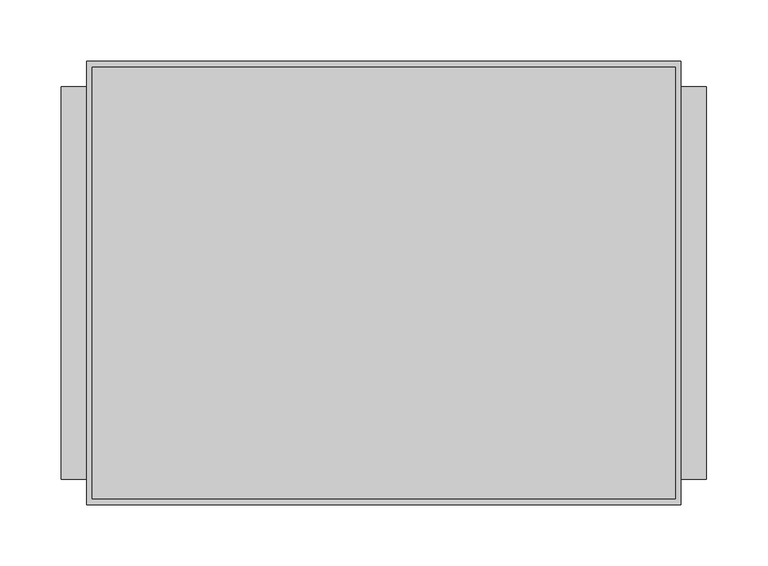
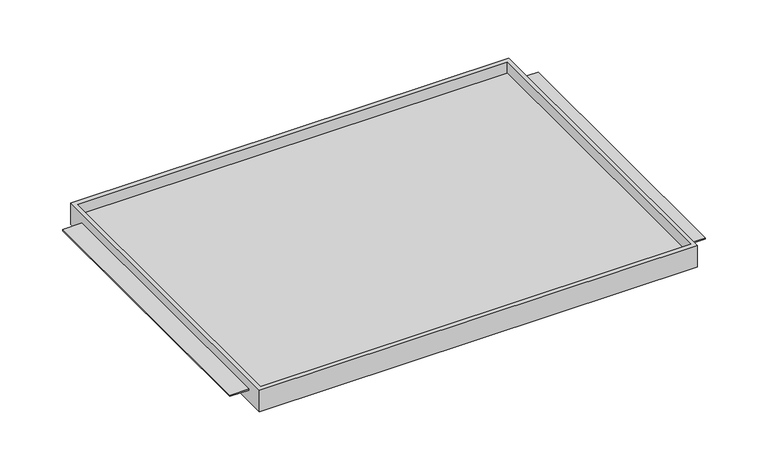
"""IFC4 building model written with IfcOpenShell, lengths in millimetres: furniture geometry."""

from ifc_helpers import new_model, si_unit, origin, place, context, project, spatial, faceted_brep, source, transform, mapped, element, save


def furniture_41f91059(model_context):
    return source(origin(), model_context, "Body", "Brep", [
        faceted_brep([(-242.7689646, -180.975, 1068.39512), (242.7689646, -180.975, 1068.39512), (242.7689646, -180.975, 1093.79512), (-242.7689646, -180.975, 1093.79512), (-242.7689646, 180.975, 1068.39512), (-242.7689646, 180.975, 1093.79512), (242.7689646, 180.975, 1093.79512), (242.7689646, 180.975, 1068.39512), (242.7689646, -160.3374879, 1082.69532), (242.7689646, 160.3374879, 1082.69532), (242.7689646, 160.3374879, 1081.09512), (242.7689646, -160.3374879, 1081.09512), (238.125, -176.2125, 1093.79512), (-238.125, -176.2125, 1093.79512), (-238.125, 175.91278, 1093.79512), (238.125, 175.91278, 1093.79512), (-242.7689646, 160.3374879, 1082.69532), (-242.7689646, -160.3374879, 1082.69532), (-242.7689646, -160.3374879, 1081.09512), (-242.7689646, 160.3374879, 1081.09512), (-238.125, -176.2125, 1081.09512), (238.125, -176.2125, 1081.09512), (238.125, 175.91278, 1081.09512), (-238.125, 175.91278, 1081.09512), (-263.525, 160.3374879, 1082.69532), (-263.525, -160.3374879, 1082.69532), (263.525, -160.3374879, 1082.69532), (263.525, 160.3374879, 1082.69532), (-263.525, -160.3374879, 1081.09512), (-263.525, 160.3374879, 1081.09512), (263.525, -160.3374879, 1081.09512), (263.525, 160.3374879, 1081.09512)], [[[0, 1, 2, 3]], [[4, 5, 6, 7]], [[1, 0, 4, 7]], [[2, 1, 7, 6], [8, 9, 10, 11]], [[3, 2, 6, 5], [12, 13, 14, 15]], [[0, 3, 5, 4], [16, 17, 18, 19]], [[20, 21, 22, 23]], [[21, 20, 13, 12]], [[22, 21, 12, 15]], [[23, 22, 15, 14]], [[20, 23, 14, 13]], [[16, 24, 25, 17]], [[26, 27, 9, 8]], [[18, 28, 29, 19]], [[30, 11, 10, 31]], [[24, 16, 19, 29]], [[25, 24, 29, 28]], [[17, 25, 28, 18]], [[27, 26, 30, 31]], [[9, 27, 31, 10]], [[26, 8, 11, 30]]]),
    ])


if __name__ == "__main__":
    model = new_model("IFC4")
    model_context = context("Model", 3, world=origin())
    ifc_project = project(units=[si_unit("LENGTHUNIT", "METRE", prefix="MILLI")], contexts=[model_context])
    site = spatial("IfcSite", under=ifc_project)
    building = spatial("IfcBuilding", under=site)
    placement = place(None, origin())
    furniture_shape = furniture_41f91059(model_context)
    element("IfcFurniture", 1, at=placement, inside=building, context=model_context, shape_type="MappedRepresentation", body=[
        mapped(furniture_shape, transform((0.0, 0.0, 0.0), x_axis=(1.0, 0.0, 0.0), y_axis=(0.0, 1.0, 0.0), z_axis=(0.0, 0.0, 1.0))),
    ])
    save(model, "model.ifc")
